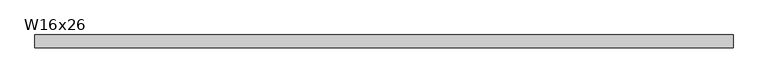
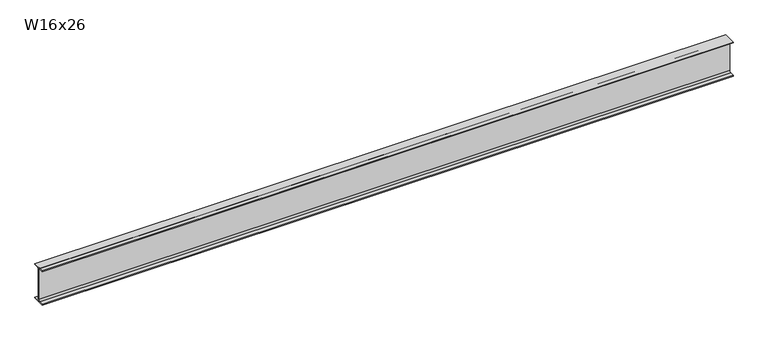
"""IFC4 building model written with IfcOpenShell, lengths in millimetres: beam geometry, W16x26."""

from ifc_helpers import new_model, si_unit, point, frame, frame_2d, origin, place, context, project, spatial, polyline, circle_curve, trimmed, segment, composite_curve, outline, extrude, source, transform, mapped, element, save


def w16x26_d4967a22(model_context):
    return source(origin(), model_context, "Body", "SweptSolid", [
        extrude(outline(composite_curve([segment(polyline([(69.85, -190.627), (69.85, -199.39), (-69.85, -199.39), (-69.85, -190.627), (-21.3995, -190.627)]), True, "CONTINUOUS"), segment(trimmed(circle_curve(frame_2d((-21.3995, -172.4025)), 18.2245), [point((-21.3995, -190.627))], [point((-3.175, -172.4025))], True, "CARTESIAN"), True, "CONTINUOUS"), segment(polyline([(-3.175, -172.4025), (-3.175, 172.4025)]), True, "CONTINUOUS"), segment(trimmed(circle_curve(frame_2d((-21.3995, 172.4025)), 18.2245), [point((-3.175, 172.4025))], [point((-21.3995, 190.627))], True, "CARTESIAN"), True, "CONTINUOUS"), segment(polyline([(-21.3995, 190.627), (-69.85, 190.627), (-69.85, 199.39), (69.85, 199.39), (69.85, 190.627), (21.3995, 190.627)]), True, "CONTINUOUS"), segment(trimmed(circle_curve(frame_2d((21.3995, 172.4025)), 18.2245), [point((21.3995, 190.627))], [point((3.175, 172.4025))], True, "CARTESIAN"), True, "CONTINUOUS"), segment(polyline([(3.175, 172.4025), (3.175, -172.4025)]), True, "CONTINUOUS"), segment(trimmed(circle_curve(frame_2d((21.3995, -172.4025)), 18.2245), [point((3.175, -172.4025))], [point((21.3995, -190.627))], True, "CARTESIAN"), True, "CONTINUOUS"), segment(polyline([(21.3995, -190.627), (69.85, -190.627)]), True, "CONTINUOUS")], self_intersect=False)), frame((-3822.7, 0.0, 0.0), z_axis=(1.0, 0.0, 0.0), x_axis=(0.0, 1.0, 0.0)), (0.0, 0.0, 1.0), 7645.4),
    ])


if __name__ == "__main__":
    model = new_model("IFC4")
    model_context = context("Model", 3, world=origin())
    ifc_project = project(units=[si_unit("LENGTHUNIT", "METRE", prefix="MILLI")], contexts=[model_context])
    site = spatial("IfcSite", under=ifc_project)
    building = spatial("IfcBuilding", under=site)
    placement = place(None, origin())
    w16x26_shape = w16x26_d4967a22(model_context)
    element("IfcBeam", 1, ObjectType="W16x26", at=placement, inside=building, context=model_context, shape_type="MappedRepresentation", body=[
        mapped(w16x26_shape, transform((0.0, 0.0, 0.0), x_axis=(1.0, 0.0, 0.0), y_axis=(0.0, 1.0, 0.0), z_axis=(0.0, 0.0, 1.0))),
    ])
    save(model, "model.ifc")
